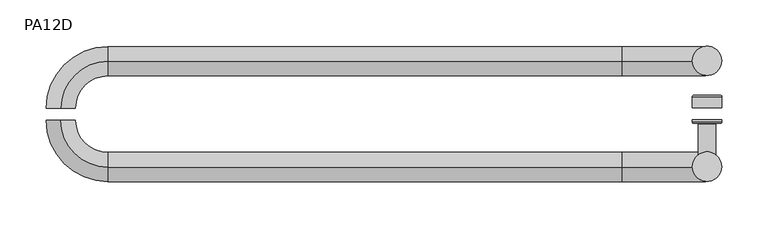
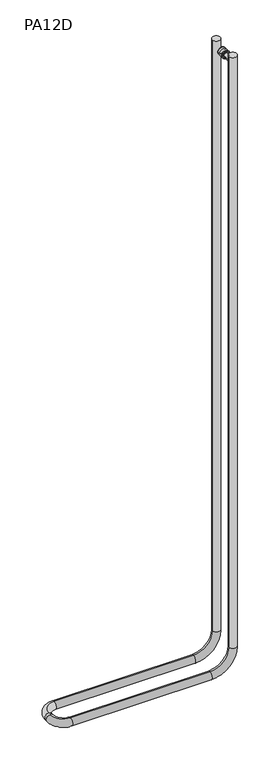
"""IFC4 building model written with IfcOpenShell, lengths in millimetres: proxy geometry, PA12D."""

from ifc_helpers import new_model, si_unit, point, frame, origin, place, context, project, spatial, circle_curve, ellipse_curve, trimmed, source, transform, mapped, element, save
from ifc_brep_helpers import plane_surface, cylinder_surface, revolved_surface, advanced_brep


def pa12d_decbb331(model_context):
    return source(origin(), model_context, "Body", "AdvancedBrep", [
        advanced_brep(
        [(349.25, 6.35, 3622.675), (333.375, 6.35, 3622.675), (365.125, 6.35, 3622.675), (363.601, 19.8628, 3622.675), (334.899, 19.8628, 3622.675), (349.25, 19.8628, 3622.675), (365.125, 18.3388, 3622.675), (333.375, 18.3388, 3622.675)],
        [
            (0, 1),
            (1, 2, circle_curve(frame((349.25, 6.35, 3622.675), z_axis=(0.0, -1.0, 0.0), x_axis=(-1.0, 0.0, 0.0)), 15.875)),
            (2, 0),
            (2, 1, circle_curve(frame((349.25, 6.35, 3622.675), z_axis=(0.0, -1.0, 0.0), x_axis=(-1.0, 0.0, 0.0)), 15.875)),
            (3, 4, circle_curve(frame((349.25, 19.8628, 3622.675), z_axis=(0.0, 1.0, 0.0), x_axis=(-1.0, 0.0, 0.0)), 14.351)),
            (4, 5),
            (5, 3),
            (4, 3, circle_curve(frame((349.25, 19.8628, 3622.675), z_axis=(0.0, 1.0, 0.0), x_axis=(-1.0, 0.0, 0.0)), 14.351)),
            (6, 7, circle_curve(frame((349.25, 18.3388, 3622.675), z_axis=(0.0, 1.0, 0.0), x_axis=(-1.0, 0.0, 0.0)), 15.875)),
            (7, 4, circle_curve(frame((334.899, 18.3388, 3622.675), z_axis=(0.0, 0.0, -1.0), x_axis=(-1.0, 0.0, 0.0)), 1.524)),
            (3, 6, circle_curve(frame((363.601, 18.3388, 3622.675), z_axis=(0.0, 0.0, -1.0), x_axis=(1.0, 0.0, 0.0)), 1.524)),
            (7, 6, circle_curve(frame((349.25, 18.3388, 3622.675), z_axis=(0.0, 1.0, 0.0), x_axis=(-1.0, 0.0, 0.0)), 15.875)),
            (1, 7),
            (6, 2),
        ],
        [
            plane_surface(frame((349.25, 6.35, 3622.675), z_axis=(0.0, -1.0, 0.0), x_axis=(-1.0, 0.0, 0.0))),
            plane_surface(frame((349.25, 19.8628, 3622.675), z_axis=(0.0, 1.0, 0.0), x_axis=(-1.0, 0.0, 0.0))),
            revolved_surface(trimmed(ellipse_curve(frame((334.899, 18.3388, 3622.675), z_axis=(0.0, 0.0, 1.0), x_axis=(-1.0, 0.0, 0.0)), 1.524, 1.524), [point((334.899, 19.8628, 3622.675))], [point((333.375, 18.3388, 3622.675))], True, "CARTESIAN"), (349.25, -626.9065276, 3622.675), (0.0, -1.0, 0.0)),
            cylinder_surface(frame((349.25, -626.9065276, 3622.675), z_axis=(0.0, -1.0, 0.0), x_axis=(-1.0, 0.0, 0.0)), 15.875),
        ],
        [
            (0, [[1, 2, 3]]),
            (0, [[-3, 4, -1]]),
            (1, [[5, 6, 7]]),
            (1, [[8, -7, -6]]),
            (2, [[9, 10, -5, 11]]),
            (2, [[12, -11, -8, -10]]),
            (3, [[-2, 13, -9, 14]]),
            (3, [[-4, -14, -12, -13]]),
        ],
    ),
        advanced_brep(
        [(349.25, -44.45, 3622.675), (339.725, -44.45, 3622.675), (358.775, -44.45, 3622.675), (365.125, -6.35, 3622.675), (333.375, -6.35, 3622.675), (349.25, -6.35, 3622.675), (365.125, -8.763, 3622.675), (333.375, -8.763, 3622.675), (363.601, -10.287, 3622.675), (334.899, -10.287, 3622.675), (359.5624, -10.287, 3622.675), (338.9376, -10.287, 3622.675), (358.775, -11.0744, 3622.675), (339.725, -11.0744, 3622.675)],
        [
            (0, 1),
            (1, 2, circle_curve(frame((349.25, -44.45, 3622.675), z_axis=(0.0, -1.0, 0.0), x_axis=(-1.0, 0.0, 0.0)), 9.525)),
            (2, 0),
            (2, 1, circle_curve(frame((349.25, -44.45, 3622.675), z_axis=(0.0, -1.0, 0.0), x_axis=(-1.0, 0.0, 0.0)), 9.525)),
            (3, 4, circle_curve(frame((349.25, -6.35, 3622.675), z_axis=(0.0, 1.0, 0.0), x_axis=(-1.0, 0.0, 0.0)), 15.875)),
            (4, 5),
            (5, 3),
            (4, 3, circle_curve(frame((349.25, -6.35, 3622.675), z_axis=(0.0, 1.0, 0.0), x_axis=(-1.0, 0.0, 0.0)), 15.875)),
            (6, 7, circle_curve(frame((349.25, -8.763, 3622.675), z_axis=(0.0, 1.0, 0.0), x_axis=(-1.0, 0.0, 0.0)), 15.875)),
            (7, 4),
            (3, 6),
            (7, 6, circle_curve(frame((349.25, -8.763, 3622.675), z_axis=(0.0, 1.0, 0.0), x_axis=(-1.0, 0.0, 0.0)), 15.875)),
            (8, 9, circle_curve(frame((349.25, -10.287, 3622.675), z_axis=(0.0, 1.0, 0.0), x_axis=(-1.0, 0.0, 0.0)), 14.351)),
            (9, 7, circle_curve(frame((334.899, -8.763, 3622.675), z_axis=(0.0, 0.0, -1.0), x_axis=(-1.0, 0.0, 0.0)), 1.524)),
            (6, 8, circle_curve(frame((363.601, -8.763, 3622.675), z_axis=(0.0, 0.0, -1.0), x_axis=(1.0, 0.0, 0.0)), 1.524)),
            (9, 8, circle_curve(frame((349.25, -10.287, 3622.675), z_axis=(0.0, 1.0, 0.0), x_axis=(-1.0, 0.0, 0.0)), 14.351)),
            (10, 11, circle_curve(frame((349.25, -10.287, 3622.675), z_axis=(0.0, 1.0, 0.0), x_axis=(-1.0, 0.0, 0.0)), 10.3124)),
            (11, 9),
            (8, 10),
            (11, 10, circle_curve(frame((349.25, -10.287, 3622.675), z_axis=(0.0, 1.0, 0.0), x_axis=(-1.0, 0.0, 0.0)), 10.3124)),
            (12, 13, circle_curve(frame((349.25, -11.0744, 3622.675), z_axis=(0.0, 1.0, 0.0), x_axis=(-1.0, 0.0, 0.0)), 9.525)),
            (13, 11, circle_curve(frame((338.9376, -11.0744, 3622.675), z_axis=(0.0, 0.0, 1.0), x_axis=(-1.0, 0.0, 0.0)), 0.7874)),
            (10, 12, circle_curve(frame((359.5624, -11.0744, 3622.675), z_axis=(0.0, 0.0, 1.0), x_axis=(1.0, 0.0, 0.0)), 0.7874)),
            (13, 12, circle_curve(frame((349.25, -11.0744, 3622.675), z_axis=(0.0, 1.0, 0.0), x_axis=(-1.0, 0.0, 0.0)), 9.525)),
            (1, 13),
            (12, 2),
        ],
        [
            plane_surface(frame((349.25, -44.45, 3622.675), z_axis=(0.0, -1.0, 0.0), x_axis=(-1.0, 0.0, 0.0))),
            plane_surface(frame((349.25, -6.35, 3622.675), z_axis=(0.0, 1.0, 0.0), x_axis=(-1.0, 0.0, 0.0))),
            cylinder_surface(frame((349.25, -626.9065276, 3622.675), z_axis=(0.0, -1.0, 0.0), x_axis=(-1.0, 0.0, 0.0)), 15.875),
            revolved_surface(trimmed(ellipse_curve(frame((334.899, -8.763, 3622.675), z_axis=(0.0, 0.0, 1.0), x_axis=(-1.0, 0.0, 0.0)), 1.524, 1.524), [point((333.375, -8.763, 3622.675))], [point((334.899, -10.287, 3622.675))], True, "CARTESIAN"), (349.25, -626.9065276, 3622.675), (0.0, -1.0, 0.0)),
            plane_surface(frame((349.25, -10.287, 3622.675), z_axis=(0.0, -1.0, 0.0), x_axis=(-1.0, 0.0, 0.0))),
            revolved_surface(trimmed(ellipse_curve(frame((338.9376, -11.0744, 3622.675), z_axis=(0.0, 0.0, -1.0), x_axis=(-1.0, 0.0, 0.0)), 0.7874, 0.7874), [point((338.9376, -10.287, 3622.675))], [point((339.725, -11.0744, 3622.675))], True, "CARTESIAN"), (349.25, -626.9065276, 3622.675), (0.0, -1.0, 0.0)),
            cylinder_surface(frame((349.25, -626.9065276, 3622.675), z_axis=(0.0, -1.0, 0.0), x_axis=(-1.0, 0.0, 0.0)), 9.525),
        ],
        [
            (0, [[1, 2, 3]]),
            (0, [[-3, 4, -1]]),
            (1, [[5, 6, 7]]),
            (1, [[8, -7, -6]]),
            (2, [[9, 10, -5, 11]]),
            (2, [[12, -11, -8, -10]]),
            (3, [[13, 14, -9, 15]]),
            (3, [[16, -15, -12, -14]]),
            (4, [[17, 18, -13, 19]]),
            (4, [[20, -19, -16, -18]]),
            (5, [[21, 22, -17, 23]]),
            (5, [[24, -23, -20, -22]]),
            (6, [[-2, 25, -21, 26]]),
            (6, [[-4, -26, -24, -25]]),
        ],
    ),
        advanced_brep(
        [(-349.25, -6.35, 1082.675), (-349.25, -6.35, 1050.925), (-298.45, -57.15, 1050.925), (-298.45, -57.15, 1082.675), (257.175, -57.15, 1082.675), (257.175, -57.15, 1050.925), (365.125, -57.15, 1158.875), (333.375, -57.15, 1158.875), (333.375, -57.15, 3651.25), (365.125, -57.15, 3651.25)],
        [
            (0, 1, circle_curve(frame((-349.25, -6.35, 1066.8), z_axis=(0.0, 1.0, 0.0), x_axis=(0.0, 0.0, -1.0)), 15.875)),
            (1, 0, circle_curve(frame((-349.25, -6.35, 1066.8), z_axis=(0.0, 1.0, 0.0), x_axis=(0.0, 0.0, -1.0)), 15.875)),
            (2, 1, circle_curve(frame((-298.45, -6.35, 1050.925), z_axis=(0.0, 0.0, -1.0), x_axis=(-1.0, 0.0, 0.0)), 50.8)),
            (0, 3, circle_curve(frame((-298.45, -6.35, 1082.675), z_axis=(0.0, 0.0, 1.0), x_axis=(-1.0, 0.0, 0.0)), 50.8)),
            (3, 2, circle_curve(frame((-298.45, -57.15, 1066.8), z_axis=(-1.0, 0.0, 0.0), x_axis=(0.0, 0.0, -1.0)), 15.875)),
            (2, 3, circle_curve(frame((-298.45, -57.15, 1066.8), z_axis=(-1.0, 0.0, 0.0), x_axis=(0.0, 0.0, -1.0)), 15.875)),
            (3, 4),
            (4, 5, circle_curve(frame((257.175, -57.15, 1066.8), z_axis=(-1.0, 0.0, 0.0), x_axis=(0.0, 0.0, -1.0)), 15.875)),
            (5, 2),
            (5, 4, circle_curve(frame((257.175, -57.15, 1066.8), z_axis=(-1.0, 0.0, 0.0), x_axis=(0.0, 0.0, -1.0)), 15.875)),
            (6, 5, circle_curve(frame((257.175, -57.15, 1158.875), z_axis=(0.0, 1.0, 0.0), x_axis=(0.0, 0.0, -1.0)), 107.95)),
            (4, 7, circle_curve(frame((257.175, -57.15, 1158.875), z_axis=(0.0, -1.0, 0.0), x_axis=(0.0, 0.0, -1.0)), 76.2)),
            (7, 6, circle_curve(frame((349.25, -57.15, 1158.875), z_axis=(0.0, 0.0, -1.0), x_axis=(1.0, 0.0, 0.0)), 15.875)),
            (6, 7, circle_curve(frame((349.25, -57.15, 1158.875), z_axis=(0.0, 0.0, -1.0), x_axis=(1.0, 0.0, 0.0)), 15.875)),
            (8, 9, circle_curve(frame((349.25, -57.15, 3651.25), z_axis=(0.0, 0.0, 1.0), x_axis=(1.0, 0.0, 0.0)), 15.875)),
            (9, 8, circle_curve(frame((349.25, -57.15, 3651.25), z_axis=(0.0, 0.0, 1.0), x_axis=(1.0, 0.0, 0.0)), 15.875)),
            (7, 8),
            (9, 6),
        ],
        [
            plane_surface(frame((-298.45, -6.35, 1066.8), z_axis=(0.0, 1.0, 0.0), x_axis=(-1.0, 0.0, 0.0))),
            revolved_surface(trimmed(ellipse_curve(frame((-349.25, -6.35, 1066.8), z_axis=(0.0, 1.0, 0.0), x_axis=(0.0, 0.0, -1.0)), 15.875, 15.875), [point((-349.25, -6.35, 1082.675))], [point((-349.25, -6.35, 1050.925))], True, "CARTESIAN"), (-298.45, -6.35, 1066.8), (0.0, 0.0, 1.0)),
            revolved_surface(trimmed(ellipse_curve(frame((-349.25, -6.35, 1066.8), z_axis=(0.0, 1.0, 0.0), x_axis=(0.0, 0.0, -1.0)), 15.875, 15.875), [point((-349.25, -6.35, 1050.925))], [point((-349.25, -6.35, 1082.675))], True, "CARTESIAN"), (-298.45, -6.35, 1066.8), (0.0, 0.0, 1.0)),
            cylinder_surface(frame((-298.45, -57.15, 1066.8), z_axis=(-1.0, 0.0, 0.0), x_axis=(0.0, 0.0, -1.0)), 15.875),
            revolved_surface(trimmed(ellipse_curve(frame((257.175, -57.15, 1066.8), z_axis=(-1.0, 0.0, 0.0), x_axis=(0.0, 0.0, -1.0)), 15.875, 15.875), [point((257.175, -57.15, 1082.675))], [point((257.175, -57.15, 1050.925))], True, "CARTESIAN"), (257.175, -57.15, 1158.875), (0.0, -1.0, 0.0)),
            revolved_surface(trimmed(ellipse_curve(frame((257.175, -57.15, 1066.8), z_axis=(-1.0, 0.0, 0.0), x_axis=(0.0, 0.0, -1.0)), 15.875, 15.875), [point((257.175, -57.15, 1050.925))], [point((257.175, -57.15, 1082.675))], True, "CARTESIAN"), (257.175, -57.15, 1158.875), (0.0, -1.0, 0.0)),
            plane_surface(frame((349.25, -73.025, 3651.25), z_axis=(0.0, 0.0, 1.0), x_axis=(1.0, 0.0, 0.0))),
            cylinder_surface(frame((349.25, -57.15, 1158.875), z_axis=(0.0, 0.0, -1.0), x_axis=(1.0, 0.0, 0.0)), 15.875),
        ],
        [
            (0, [[1, 2]]),
            (1, [[3, -1, 4, 5]]),
            (2, [[-4, -2, -3, 6]]),
            (3, [[-5, 7, 8, 9]]),
            (3, [[-6, -9, 10, -7]]),
            (4, [[11, -8, 12, 13]]),
            (5, [[-12, -10, -11, 14]]),
            (6, [[15, 16]]),
            (7, [[-13, 17, -16, 18]]),
            (7, [[-14, -18, -15, -17]]),
        ],
    ),
        advanced_brep(
        [(-349.25, 6.35, 1082.675), (-349.25, 6.35, 1050.925), (333.375, 57.15, 3651.25), (365.125, 57.15, 3651.25), (-298.45, 57.15, 1050.925), (-298.45, 57.15, 1082.675), (257.175, 57.15, 1082.675), (257.175, 57.15, 1050.925), (365.125, 57.15, 1158.875), (333.375, 57.15, 1158.875)],
        [
            (0, 1, circle_curve(frame((-349.25, 6.35, 1066.8), z_axis=(0.0, -1.0, 0.0), x_axis=(0.0, 0.0, -1.0)), 15.875)),
            (1, 0, circle_curve(frame((-349.25, 6.35, 1066.8), z_axis=(0.0, -1.0, 0.0), x_axis=(0.0, 0.0, -1.0)), 15.875)),
            (2, 3, circle_curve(frame((349.25, 57.15, 3651.25), z_axis=(0.0, 0.0, 1.0), x_axis=(1.0, 0.0, 0.0)), 15.875)),
            (3, 2, circle_curve(frame((349.25, 57.15, 3651.25), z_axis=(0.0, 0.0, 1.0), x_axis=(1.0, 0.0, 0.0)), 15.875)),
            (4, 1, circle_curve(frame((-298.45, 6.35, 1050.925), z_axis=(0.0, 0.0, 1.0), x_axis=(-1.0, 0.0, 0.0)), 50.8)),
            (0, 5, circle_curve(frame((-298.45, 6.35, 1082.675), z_axis=(0.0, 0.0, -1.0), x_axis=(-1.0, 0.0, 0.0)), 50.8)),
            (5, 4, circle_curve(frame((-298.45, 57.15, 1066.8), z_axis=(-1.0, 0.0, 0.0), x_axis=(0.0, 0.0, -1.0)), 15.875)),
            (4, 5, circle_curve(frame((-298.45, 57.15, 1066.8), z_axis=(-1.0, 0.0, 0.0), x_axis=(0.0, 0.0, -1.0)), 15.875)),
            (5, 6),
            (6, 7, circle_curve(frame((257.175, 57.15, 1066.8), z_axis=(-1.0, 0.0, 0.0), x_axis=(0.0, 0.0, -1.0)), 15.875)),
            (7, 4),
            (7, 6, circle_curve(frame((257.175, 57.15, 1066.8), z_axis=(-1.0, 0.0, 0.0), x_axis=(0.0, 0.0, -1.0)), 15.875)),
            (8, 7, circle_curve(frame((257.175, 57.15, 1158.875), z_axis=(0.0, 1.0, 0.0), x_axis=(0.0, 0.0, -1.0)), 107.95)),
            (6, 9, circle_curve(frame((257.175, 57.15, 1158.875), z_axis=(0.0, -1.0, 0.0), x_axis=(0.0, 0.0, -1.0)), 76.2)),
            (9, 8, circle_curve(frame((349.25, 57.15, 1158.875), z_axis=(0.0, 0.0, -1.0), x_axis=(1.0, 0.0, 0.0)), 15.875)),
            (8, 9, circle_curve(frame((349.25, 57.15, 1158.875), z_axis=(0.0, 0.0, -1.0), x_axis=(1.0, 0.0, 0.0)), 15.875)),
            (9, 2),
            (3, 8),
        ],
        [
            plane_surface(frame((-298.45, 6.35, 1066.8), z_axis=(0.0, -1.0, 0.0), x_axis=(-1.0, 0.0, 0.0))),
            plane_surface(frame((349.25, 41.275, 3651.25), z_axis=(0.0, 0.0, 1.0), x_axis=(1.0, 0.0, 0.0))),
            revolved_surface(trimmed(ellipse_curve(frame((-349.25, 6.35, 1066.8), z_axis=(0.0, -1.0, 0.0), x_axis=(0.0, 0.0, -1.0)), 15.875, 15.875), [point((-349.25, 6.35, 1082.675))], [point((-349.25, 6.35, 1050.925))], True, "CARTESIAN"), (-298.45, 6.35, 1066.8), (0.0, 0.0, -1.0)),
            revolved_surface(trimmed(ellipse_curve(frame((-349.25, 6.35, 1066.8), z_axis=(0.0, -1.0, 0.0), x_axis=(0.0, 0.0, -1.0)), 15.875, 15.875), [point((-349.25, 6.35, 1050.925))], [point((-349.25, 6.35, 1082.675))], True, "CARTESIAN"), (-298.45, 6.35, 1066.8), (0.0, 0.0, -1.0)),
            cylinder_surface(frame((-298.45, 57.15, 1066.8), z_axis=(-1.0, 0.0, 0.0), x_axis=(0.0, 0.0, -1.0)), 15.875),
            revolved_surface(trimmed(ellipse_curve(frame((257.175, 57.15, 1066.8), z_axis=(-1.0, 0.0, 0.0), x_axis=(0.0, 0.0, -1.0)), 15.875, 15.875), [point((257.175, 57.15, 1082.675))], [point((257.175, 57.15, 1050.925))], True, "CARTESIAN"), (257.175, 57.15, 1158.875), (0.0, -1.0, 0.0)),
            revolved_surface(trimmed(ellipse_curve(frame((257.175, 57.15, 1066.8), z_axis=(-1.0, 0.0, 0.0), x_axis=(0.0, 0.0, -1.0)), 15.875, 15.875), [point((257.175, 57.15, 1050.925))], [point((257.175, 57.15, 1082.675))], True, "CARTESIAN"), (257.175, 57.15, 1158.875), (0.0, -1.0, 0.0)),
            cylinder_surface(frame((349.25, 57.15, 1158.875), z_axis=(0.0, 0.0, -1.0), x_axis=(1.0, 0.0, 0.0)), 15.875),
        ],
        [
            (0, [[1, 2]]),
            (1, [[3, 4]]),
            (2, [[5, -1, 6, 7]]),
            (3, [[-6, -2, -5, 8]]),
            (4, [[-7, 9, 10, 11]]),
            (4, [[-8, -11, 12, -9]]),
            (5, [[13, -10, 14, 15]]),
            (6, [[-14, -12, -13, 16]]),
            (7, [[-15, 17, -4, 18]]),
            (7, [[-16, -18, -3, -17]]),
        ],
    ),
    ])


if __name__ == "__main__":
    model = new_model("IFC4")
    model_context = context("Model", 3, world=origin())
    ifc_project = project(units=[si_unit("LENGTHUNIT", "METRE", prefix="MILLI")], contexts=[model_context])
    site = spatial("IfcSite", under=ifc_project)
    building = spatial("IfcBuilding", under=site)
    placement = place(None, origin())
    pa12d_shape = pa12d_decbb331(model_context)
    element("IfcBuildingElementProxy", 1, Name="PA12D", ObjectType="PA12D", at=placement, inside=building, context=model_context, shape_type="MappedRepresentation", body=[
        mapped(pa12d_shape, transform((0.0, 0.0, 0.0), x_axis=(1.0, 0.0, 0.0), y_axis=(0.0, 1.0, 0.0), z_axis=(0.0, 0.0, 1.0))),
    ])
    save(model, "model.ifc")
